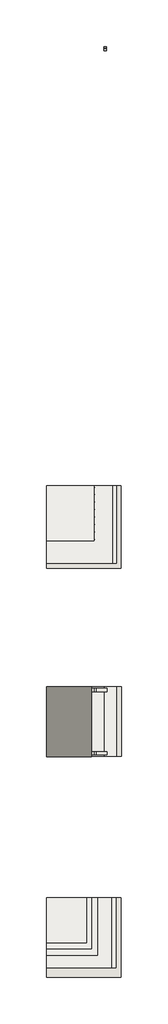
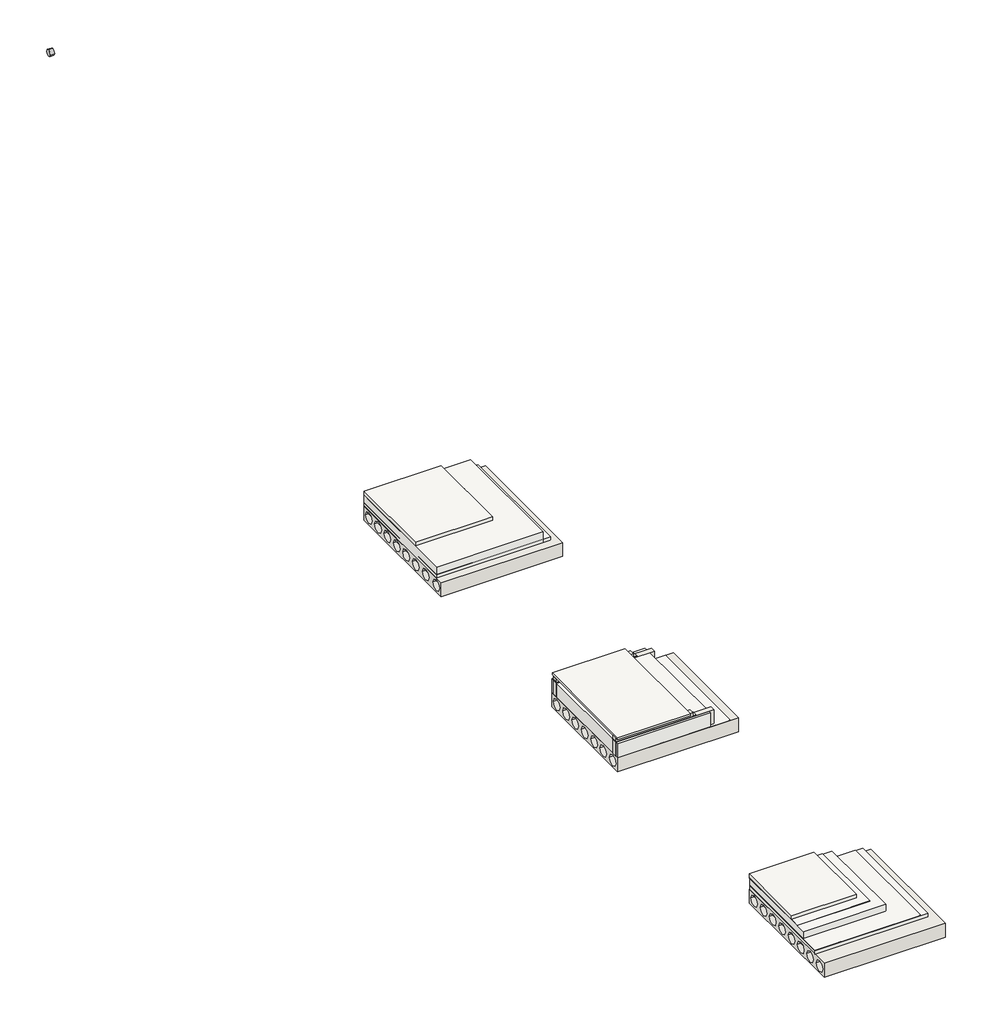
# One storey: 11 slabs, 9 pipe segments, 7 walls, 3 coverings.
"""IFC4 building model written with IfcOpenShell, lengths in millimetres."""

from ifc_helpers import new_model, si_unit, point, frame, frame_2d, origin, place, context, project, spatial, polyline, circle_curve, trimmed, segment, composite_curve, outline, extrude, element, save

model = new_model("IFC4")

# Units and contexts
model_context = context("Model", 3, world=origin())
ifc_project = project(units=[si_unit("LENGTHUNIT", "METRE", prefix="MILLI")], contexts=[model_context])

# Site, building, storey
site = spatial("IfcSite", under=ifc_project)
building = spatial("IfcBuilding", under=site)
storey = spatial("IfcBuildingStorey", under=building, Elevation=0.0)

# Coverings
placement = place(None, origin())
element("IfcCovering", 1, at=placement, inside=storey, context=model_context, shape_type="SweptSolid", body=[
    extrude(outline(polyline([(-18749.8233902, -321.5111803), (-18749.8233902, -3119.3898401), (-21549.8233902, -3119.3898401), (-21549.8233902, -321.5111803), (-18749.8233902, -321.5111803)])), frame((0.0, 0.0, 720.0), z_axis=(0.0, 0.0, 1.0), x_axis=(1.0, 0.0, 0.0)), (0.0, 0.0, 1.0), 9.0),
])
element("IfcCovering", 2, at=placement, inside=storey, context=model_context, shape_type="SweptSolid", body=[
    extrude(outline(polyline([(-19049.8233902, 7733.6973169), (-19049.8233902, 4935.818657), (-21549.8233902, 4935.818657), (-21549.8233902, 7733.6973169), (-19049.8233902, 7733.6973169)])), frame((0.0, 0.0, 720.0), z_axis=(0.0, 0.0, 1.0), x_axis=(1.0, 0.0, 0.0)), (0.0, 0.0, 1.0), 9.0),
])
element("IfcCovering", 3, at=placement, inside=storey, context=model_context, shape_type="SweptSolid", body=[
    extrude(outline(polyline([(-18932.0457912, -8791.5881911), (-18932.0457912, -11589.4668509), (-21549.8233902, -11589.4668509), (-21549.8233902, -8791.5881911), (-18932.0457912, -8791.5881911)])), frame((0.0, 0.0, 818.0135788), z_axis=(0.0, 0.0, 1.0), x_axis=(1.0, 0.0, 0.0)), (0.0, 0.0, 1.0), 9.0),
])

# Pipe segments
element("IfcPipeSegment", 4, at=placement, inside=storey, context=model_context, shape_type="SweptSolid", body=[
    extrude(outline(composite_curve([segment(trimmed(circle_curve(frame_2d((25274.8374953, 1120.9780714)), 84.1375), [point((25190.6999953, 1120.9780714))], [point((25274.8374953, 1205.1155714))], False, "CARTESIAN"), True, "CONTINUOUS"), segment(trimmed(circle_curve(frame_2d((25274.8374953, 1120.9780714)), 84.1375), [point((25274.8374953, 1205.1155714))], [point((25358.9749953, 1120.9780714))], False, "CARTESIAN"), True, "CONTINUOUS"), segment(trimmed(circle_curve(frame_2d((25274.8374953, 1120.9780714)), 84.1375), [point((25358.9749953, 1120.9780714))], [point((25274.8374953, 1036.8405714))], False, "CARTESIAN"), True, "CONTINUOUS"), segment(trimmed(circle_curve(frame_2d((25274.8374953, 1120.9780714)), 84.1375), [point((25274.8374953, 1036.8405714))], [point((25190.6999953, 1120.9780714))], False, "CARTESIAN"), True, "CONTINUOUS")], self_intersect=False)), frame((-19234.2023255, 0.0, 0.0), z_axis=(1.0, 0.0, 0.0), x_axis=(0.0, 1.0, 0.0)), (0.0, 0.0, 1.0), 100.0),
])
element("IfcPipeSegment", 5, at=placement, inside=storey, context=model_context, shape_type="SweptSolid", body=[
    extrude(outline(composite_curve([segment(trimmed(circle_curve(frame_2d((5587.1269433, 1064.7917813)), 13.335), [point((5600.4619433, 1064.7917813))], [point((5587.1269433, 1051.4567813))], False, "CARTESIAN"), True, "CONTINUOUS"), segment(trimmed(circle_curve(frame_2d((5587.1269433, 1064.7917813)), 13.335), [point((5587.1269433, 1051.4567813))], [point((5573.7919433, 1064.7917813))], False, "CARTESIAN"), True, "CONTINUOUS"), segment(trimmed(circle_curve(frame_2d((5587.1269433, 1064.7917813)), 13.335), [point((5573.7919433, 1064.7917813))], [point((5587.1269433, 1078.1267813))], False, "CARTESIAN"), True, "CONTINUOUS"), segment(trimmed(circle_curve(frame_2d((5587.1269433, 1064.7917813)), 13.335), [point((5587.1269433, 1078.1267813))], [point((5600.4619433, 1064.7917813))], False, "CARTESIAN"), True, "CONTINUOUS")], self_intersect=False)), frame((-19922.9070335, 0.0, 0.0), z_axis=(1.0, 0.0, 0.0), x_axis=(0.0, 1.0, 0.0)), (0.0, 0.0, 1.0), 300.0),
])
element("IfcPipeSegment", 6, at=placement, inside=storey, context=model_context, shape_type="SweptSolid", body=[
    extrude(outline(composite_curve([segment(trimmed(circle_curve(frame_2d((5887.1269433, 1064.7917813)), 13.335), [point((5900.4619433, 1064.7917813))], [point((5887.1269433, 1051.4567813))], False, "CARTESIAN"), True, "CONTINUOUS"), segment(trimmed(circle_curve(frame_2d((5887.1269433, 1064.7917813)), 13.335), [point((5887.1269433, 1051.4567813))], [point((5873.7919433, 1064.7917813))], False, "CARTESIAN"), True, "CONTINUOUS"), segment(trimmed(circle_curve(frame_2d((5887.1269433, 1064.7917813)), 13.335), [point((5873.7919433, 1064.7917813))], [point((5887.1269433, 1078.1267813))], False, "CARTESIAN"), True, "CONTINUOUS"), segment(trimmed(circle_curve(frame_2d((5887.1269433, 1064.7917813)), 13.335), [point((5887.1269433, 1078.1267813))], [point((5900.4619433, 1064.7917813))], False, "CARTESIAN"), True, "CONTINUOUS")], self_intersect=False)), frame((-19922.9070335, 0.0, 0.0), z_axis=(1.0, 0.0, 0.0), x_axis=(0.0, 1.0, 0.0)), (0.0, 0.0, 1.0), 300.0),
])
element("IfcPipeSegment", 7, at=placement, inside=storey, context=model_context, shape_type="SweptSolid", body=[
    extrude(outline(composite_curve([segment(trimmed(circle_curve(frame_2d((6187.1269433, 1064.7917813)), 13.335), [point((6200.4619433, 1064.7917813))], [point((6187.1269433, 1051.4567813))], False, "CARTESIAN"), True, "CONTINUOUS"), segment(trimmed(circle_curve(frame_2d((6187.1269433, 1064.7917813)), 13.335), [point((6187.1269433, 1051.4567813))], [point((6173.7919433, 1064.7917813))], False, "CARTESIAN"), True, "CONTINUOUS"), segment(trimmed(circle_curve(frame_2d((6187.1269433, 1064.7917813)), 13.335), [point((6173.7919433, 1064.7917813))], [point((6187.1269433, 1078.1267813))], False, "CARTESIAN"), True, "CONTINUOUS"), segment(trimmed(circle_curve(frame_2d((6187.1269433, 1064.7917813)), 13.335), [point((6187.1269433, 1078.1267813))], [point((6200.4619433, 1064.7917813))], False, "CARTESIAN"), True, "CONTINUOUS")], self_intersect=False)), frame((-19922.9070335, 0.0, 0.0), z_axis=(1.0, 0.0, 0.0), x_axis=(0.0, 1.0, 0.0)), (0.0, 0.0, 1.0), 300.0),
])
element("IfcPipeSegment", 8, at=placement, inside=storey, context=model_context, shape_type="SweptSolid", body=[
    extrude(outline(composite_curve([segment(trimmed(circle_curve(frame_2d((6487.1269433, 1064.7917813)), 13.335), [point((6500.4619433, 1064.7917813))], [point((6487.1269433, 1051.4567813))], False, "CARTESIAN"), True, "CONTINUOUS"), segment(trimmed(circle_curve(frame_2d((6487.1269433, 1064.7917813)), 13.335), [point((6487.1269433, 1051.4567813))], [point((6473.7919433, 1064.7917813))], False, "CARTESIAN"), True, "CONTINUOUS"), segment(trimmed(circle_curve(frame_2d((6487.1269433, 1064.7917813)), 13.335), [point((6473.7919433, 1064.7917813))], [point((6487.1269433, 1078.1267813))], False, "CARTESIAN"), True, "CONTINUOUS"), segment(trimmed(circle_curve(frame_2d((6487.1269433, 1064.7917813)), 13.335), [point((6487.1269433, 1078.1267813))], [point((6500.4619433, 1064.7917813))], False, "CARTESIAN"), True, "CONTINUOUS")], self_intersect=False)), frame((-19922.9070335, 0.0, 0.0), z_axis=(1.0, 0.0, 0.0), x_axis=(0.0, 1.0, 0.0)), (0.0, 0.0, 1.0), 300.0),
])
element("IfcPipeSegment", 9, at=placement, inside=storey, context=model_context, shape_type="SweptSolid", body=[
    extrude(outline(composite_curve([segment(trimmed(circle_curve(frame_2d((6787.1269433, 1064.7917813)), 13.335), [point((6800.4619433, 1064.7917813))], [point((6787.1269433, 1051.4567813))], False, "CARTESIAN"), True, "CONTINUOUS"), segment(trimmed(circle_curve(frame_2d((6787.1269433, 1064.7917813)), 13.335), [point((6787.1269433, 1051.4567813))], [point((6773.7919433, 1064.7917813))], False, "CARTESIAN"), True, "CONTINUOUS"), segment(trimmed(circle_curve(frame_2d((6787.1269433, 1064.7917813)), 13.335), [point((6773.7919433, 1064.7917813))], [point((6787.1269433, 1078.1267813))], False, "CARTESIAN"), True, "CONTINUOUS"), segment(trimmed(circle_curve(frame_2d((6787.1269433, 1064.7917813)), 13.335), [point((6787.1269433, 1078.1267813))], [point((6800.4619433, 1064.7917813))], False, "CARTESIAN"), True, "CONTINUOUS")], self_intersect=False)), frame((-19922.9070335, 0.0, 0.0), z_axis=(1.0, 0.0, 0.0), x_axis=(0.0, 1.0, 0.0)), (0.0, 0.0, 1.0), 300.0),
])
element("IfcPipeSegment", 10, at=placement, inside=storey, context=model_context, shape_type="SweptSolid", body=[
    extrude(outline(composite_curve([segment(trimmed(circle_curve(frame_2d((7087.1269433, 1064.7917813)), 13.335), [point((7100.4619433, 1064.7917813))], [point((7087.1269433, 1051.4567813))], False, "CARTESIAN"), True, "CONTINUOUS"), segment(trimmed(circle_curve(frame_2d((7087.1269433, 1064.7917813)), 13.335), [point((7087.1269433, 1051.4567813))], [point((7073.7919433, 1064.7917813))], False, "CARTESIAN"), True, "CONTINUOUS"), segment(trimmed(circle_curve(frame_2d((7087.1269433, 1064.7917813)), 13.335), [point((7073.7919433, 1064.7917813))], [point((7087.1269433, 1078.1267813))], False, "CARTESIAN"), True, "CONTINUOUS"), segment(trimmed(circle_curve(frame_2d((7087.1269433, 1064.7917813)), 13.335), [point((7087.1269433, 1078.1267813))], [point((7100.4619433, 1064.7917813))], False, "CARTESIAN"), True, "CONTINUOUS")], self_intersect=False)), frame((-19922.9070335, 0.0, 0.0), z_axis=(1.0, 0.0, 0.0), x_axis=(0.0, 1.0, 0.0)), (0.0, 0.0, 1.0), 300.0),
])
element("IfcPipeSegment", 11, at=placement, inside=storey, context=model_context, shape_type="SweptSolid", body=[
    extrude(outline(composite_curve([segment(trimmed(circle_curve(frame_2d((7387.1269433, 1064.7917813)), 13.335), [point((7400.4619433, 1064.7917813))], [point((7387.1269433, 1051.4567813))], False, "CARTESIAN"), True, "CONTINUOUS"), segment(trimmed(circle_curve(frame_2d((7387.1269433, 1064.7917813)), 13.335), [point((7387.1269433, 1051.4567813))], [point((7373.7919433, 1064.7917813))], False, "CARTESIAN"), True, "CONTINUOUS"), segment(trimmed(circle_curve(frame_2d((7387.1269433, 1064.7917813)), 13.335), [point((7373.7919433, 1064.7917813))], [point((7387.1269433, 1078.1267813))], False, "CARTESIAN"), True, "CONTINUOUS"), segment(trimmed(circle_curve(frame_2d((7387.1269433, 1064.7917813)), 13.335), [point((7387.1269433, 1078.1267813))], [point((7400.4619433, 1064.7917813))], False, "CARTESIAN"), True, "CONTINUOUS")], self_intersect=False)), frame((-19922.9070335, 0.0, 0.0), z_axis=(1.0, 0.0, 0.0), x_axis=(0.0, 1.0, 0.0)), (0.0, 0.0, 1.0), 300.0),
])
element("IfcPipeSegment", 12, at=placement, inside=storey, context=model_context, shape_type="SweptSolid", body=[
    extrude(outline(composite_curve([segment(trimmed(circle_curve(frame_2d((7667.1269433, 1064.7917813)), 13.335), [point((7680.4619433, 1064.7917813))], [point((7667.1269433, 1051.4567813))], False, "CARTESIAN"), True, "CONTINUOUS"), segment(trimmed(circle_curve(frame_2d((7667.1269433, 1064.7917813)), 13.335), [point((7667.1269433, 1051.4567813))], [point((7653.7919433, 1064.7917813))], False, "CARTESIAN"), True, "CONTINUOUS"), segment(trimmed(circle_curve(frame_2d((7667.1269433, 1064.7917813)), 13.335), [point((7653.7919433, 1064.7917813))], [point((7667.1269433, 1078.1267813))], False, "CARTESIAN"), True, "CONTINUOUS"), segment(trimmed(circle_curve(frame_2d((7667.1269433, 1064.7917813)), 13.335), [point((7667.1269433, 1078.1267813))], [point((7680.4619433, 1064.7917813))], False, "CARTESIAN"), True, "CONTINUOUS")], self_intersect=False)), frame((-19922.9070335, 0.0, 0.0), z_axis=(1.0, 0.0, 0.0), x_axis=(0.0, 1.0, 0.0)), (0.0, 0.0, 1.0), 300.0),
])

# Slabs
element("IfcSlab", 13, at=placement, inside=storey, context=model_context, shape_type="SweptSolid", body=[
    extrude(outline(polyline([(-19249.8233902, -319.308988), (-19249.8233902, -3119.308988), (-21549.8233902, -3119.308988), (-21549.8233902, -319.308988), (-19249.8233902, -319.308988)])), frame((0.0, 0.0, 726.5502862), z_axis=(0.0, 0.0, 1.0), x_axis=(1.0, 0.0, 0.0)), (0.0, 0.0, 1.0), 362.0),
])
element("IfcSlab", 14, at=placement, inside=storey, context=model_context, shape_type="SweptSolid", body=[
    extrude(outline(polyline([(-19569.8233902, -2923.5004536), (-19569.8233902, -3053.5004536), (-21557.324506, -3053.5004536), (-21557.324506, -2923.5004536), (-19569.8233902, -2923.5004536)])), frame((0.0, 0.0, 1106.0), z_axis=(0.0, 0.0, 1.0), x_axis=(1.0, 0.0, 0.0)), (0.0, 0.0, 1.0), 9.0),
])
element("IfcSlab", 15, at=placement, inside=storey, context=model_context, shape_type="SweptSolid", body=[
    extrude(outline(polyline([(-19569.8233902, -388.0815538), (-19569.8233902, -518.0815538), (-21557.324506, -518.0815538), (-21557.324506, -388.0815538), (-19569.8233902, -388.0815538)])), frame((0.0, 0.0, 1106.0), z_axis=(0.0, 0.0, 1.0), x_axis=(1.0, 0.0, 0.0)), (0.0, 0.0, 1.0), 9.0),
])
element("IfcSlab", 16, at=placement, inside=storey, context=model_context, shape_type="SweptSolid", body=[
    extrude(outline(polyline([(-19749.8233902, -329.3638158), (-19749.8233902, -3129.3638158), (-21549.8233902, -3129.3638158), (-21549.8233902, -329.3638158), (-19749.8233902, -329.3638158)])), frame((0.0, 0.0, 1195.0), z_axis=(0.0, 0.0, 1.0), x_axis=(1.0, 0.0, 0.0)), (0.0, 0.0, 1.0), 60.0),
])
element("IfcSlab", 17, at=placement, inside=storey, context=model_context, shape_type="SweptSolid", body=[
    extrude(outline(polyline([(-18911.3192778, 7742.2022191), (-18911.3192778, 4635.6585659), (-21549.8233902, 4635.6585659), (-21549.8233902, 7742.2022191), (-18911.3192778, 7742.2022191)])), frame((0.0, 0.0, 640.1886215), z_axis=(0.0, 0.0, 1.0), x_axis=(1.0, 0.0, 0.0)), (0.0, 0.0, 1.0), 362.0),
])
element("IfcSlab", 18, at=placement, inside=storey, context=model_context, shape_type="SweptSolid", body=[
    extrude(outline(polyline([(-19749.8233902, -8785.3132372), (-19749.8233902, -10825.3132372), (-21549.8233902, -10825.3132372), (-21549.8233902, -8785.3132372), (-19749.8233902, -8785.3132372)])), frame((0.0, 0.0, 1011.5507728), z_axis=(0.0, 0.0, 1.0), x_axis=(1.0, 0.0, 0.0)), (0.0, 0.0, 1.0), 9.0),
])
element("IfcSlab", 19, at=placement, inside=storey, context=model_context, shape_type="SweptSolid", body=[
    extrude(outline(polyline([(-18752.0457912, -8789.0194004), (-18752.0457912, -11589.0194004), (-21549.8233902, -11589.0194004), (-21549.8233902, -8789.0194004), (-18752.0457912, -8789.0194004)])), frame((0.0, 0.0, 726.3338711), z_axis=(0.0, 0.0, 1.0), x_axis=(1.0, 0.0, 0.0)), (0.0, 0.0, 1.0), 91.0),
])
element("IfcSlab", 20, at=placement, inside=storey, context=model_context, shape_type="SweptSolid", body=[
    extrude(outline(polyline([(-19509.8233902, -8788.4373813), (-19509.8233902, -11088.4373813), (-21549.8233902, -11088.4373813), (-21549.8233902, -8788.4373813), (-19509.8233902, -8788.4373813)])), frame((0.0, 0.0, 645.1513769), z_axis=(0.0, 0.0, 1.0), x_axis=(1.0, 0.0, 0.0)), (0.0, 0.0, 1.0), 362.0),
])
element("IfcSlab", 21, at=placement, inside=storey, context=model_context, shape_type="SweptSolid", body=[
    extrude(outline(polyline([(-19952.0457912, -8780.4620901), (-19952.0457912, -10586.0795584), (-21552.0457912, -10586.0795584), (-21552.0457912, -8780.4620901), (-19952.0457912, -8780.4620901)])), frame((0.0, 0.0, 1029.6269336), z_axis=(0.0, 0.0, 1.0), x_axis=(1.0, 0.0, 0.0)), (0.0, 0.0, 1.0), 91.0),
])
element("IfcSlab", 22, at=placement, inside=storey, context=model_context, shape_type="SweptSolid", body=[
    extrude(outline(polyline([(-18731.3192778, 7735.6585659), (-18731.3192778, 4635.6585659), (-21549.8233902, 4635.6585659), (-21549.8233902, 7735.6585659), (-18731.3192778, 7735.6585659)])), frame((0.0, 0.0, 720.0), z_axis=(0.0, 0.0, 1.0), x_axis=(1.0, 0.0, 0.0)), (0.0, 0.0, 1.0), 91.0),
])
element("IfcSlab", 23, at=placement, inside=storey, context=model_context, shape_type="SweptSolid", body=[
    extrude(outline(polyline([(-19649.8233902, 7733.9736345), (-19649.8233902, 5533.9736345), (-21549.8233902, 5533.9736345), (-21549.8233902, 7733.9736345), (-19649.8233902, 7733.9736345)])), frame((0.0, 0.0, 1018.0958924), z_axis=(0.0, 0.0, 1.0), x_axis=(1.0, 0.0, 0.0)), (0.0, 0.0, 1.0), 91.0),
])

# Walls
element("IfcWall", 24, at=placement, inside=storey, context=model_context, shape_type="SweptSolid", body=[
    extrude(outline(polyline([(-3118.1823752, 354.7380659), (-3118.1823752, 720.0), (-318.1823752, 720.0), (-318.1823752, 354.7380659), (-3118.1823752, 354.7380659)]), holes=[composite_curve([segment(trimmed(circle_curve(frame_2d((-2918.8581339, 533.0522452)), 140.0), [point((-2778.8581339, 533.0522452))], [point((-3058.8581339, 533.0522452))], True, "CARTESIAN"), True, "CONTINUOUS"), segment(trimmed(circle_curve(frame_2d((-2918.8581339, 533.0522452)), 140.0), [point((-3058.8581339, 533.0522452))], [point((-2778.8581339, 533.0522452))], True, "CARTESIAN"), True, "CONTINUOUS")], self_intersect=False), composite_curve([segment(trimmed(circle_curve(frame_2d((-2518.8581339, 533.0522452)), 140.0), [point((-2378.8581339, 533.0522452))], [point((-2658.8581339, 533.0522452))], True, "CARTESIAN"), True, "CONTINUOUS"), segment(trimmed(circle_curve(frame_2d((-2518.8581339, 533.0522452)), 140.0), [point((-2658.8581339, 533.0522452))], [point((-2378.8581339, 533.0522452))], True, "CARTESIAN"), True, "CONTINUOUS")], self_intersect=False), composite_curve([segment(trimmed(circle_curve(frame_2d((-2118.8581339, 533.0522452)), 140.0), [point((-1978.8581339, 533.0522452))], [point((-2258.8581339, 533.0522452))], True, "CARTESIAN"), True, "CONTINUOUS"), segment(trimmed(circle_curve(frame_2d((-2118.8581339, 533.0522452)), 140.0), [point((-2258.8581339, 533.0522452))], [point((-1978.8581339, 533.0522452))], True, "CARTESIAN"), True, "CONTINUOUS")], self_intersect=False), composite_curve([segment(trimmed(circle_curve(frame_2d((-1718.8581339, 533.0522452)), 140.0), [point((-1578.8581339, 533.0522452))], [point((-1858.8581339, 533.0522452))], True, "CARTESIAN"), True, "CONTINUOUS"), segment(trimmed(circle_curve(frame_2d((-1718.8581339, 533.0522452)), 140.0), [point((-1858.8581339, 533.0522452))], [point((-1578.8581339, 533.0522452))], True, "CARTESIAN"), True, "CONTINUOUS")], self_intersect=False), composite_curve([segment(trimmed(circle_curve(frame_2d((-1318.8581339, 533.0522452)), 140.0), [point((-1178.8581339, 533.0522452))], [point((-1458.8581339, 533.0522452))], True, "CARTESIAN"), True, "CONTINUOUS"), segment(trimmed(circle_curve(frame_2d((-1318.8581339, 533.0522452)), 140.0), [point((-1458.8581339, 533.0522452))], [point((-1178.8581339, 533.0522452))], True, "CARTESIAN"), True, "CONTINUOUS")], self_intersect=False), composite_curve([segment(trimmed(circle_curve(frame_2d((-918.8581339, 533.0522452)), 140.0), [point((-778.8581339, 533.0522452))], [point((-1058.8581339, 533.0522452))], True, "CARTESIAN"), True, "CONTINUOUS"), segment(trimmed(circle_curve(frame_2d((-918.8581339, 533.0522452)), 140.0), [point((-1058.8581339, 533.0522452))], [point((-778.8581339, 533.0522452))], True, "CARTESIAN"), True, "CONTINUOUS")], self_intersect=False), composite_curve([segment(trimmed(circle_curve(frame_2d((-518.8581339, 533.0522452)), 140.0), [point((-378.8581339, 533.0522452))], [point((-658.8581339, 533.0522452))], True, "CARTESIAN"), True, "CONTINUOUS"), segment(trimmed(circle_curve(frame_2d((-518.8581339, 533.0522452)), 140.0), [point((-658.8581339, 533.0522452))], [point((-378.8581339, 533.0522452))], True, "CARTESIAN"), True, "CONTINUOUS")], self_intersect=False)]), frame((-21549.8233902, 0.0, 0.0), z_axis=(1.0, 0.0, 0.0), x_axis=(0.0, 1.0, 0.0)), (0.0, 0.0, 1.0), 3000.0),
])
element("IfcWall", 25, at=placement, inside=storey, context=model_context, shape_type="SweptSolid", body=[
    extrude(outline(polyline([(-21549.8233902, -2928.0815538), (-19129.8233902, -2928.0815538), (-19129.8233902, -3058.0815538), (-21549.8233902, -3058.0815538), (-21549.8233902, -2928.0815538)])), frame((0.0, 0.0, 726.5502862), z_axis=(0.0, 0.0, 1.0), x_axis=(1.0, 0.0, 0.0)), (0.0, 0.0, 1.0), 362.0),
])
element("IfcWall", 26, at=placement, inside=storey, context=model_context, shape_type="SweptSolid", body=[
    extrude(outline(polyline([(-21549.8233902, -388.0815538), (-19129.8233902, -388.0815538), (-19129.8233902, -518.0815538), (-21549.8233902, -518.0815538), (-21549.8233902, -388.0815538)])), frame((0.0, 0.0, 726.5502862), z_axis=(0.0, 0.0, 1.0), x_axis=(1.0, 0.0, 0.0)), (0.0, 0.0, 1.0), 362.0),
])
element("IfcWall", 27, at=placement, inside=storey, context=model_context, shape_type="SweptSolid", body=[
    extrude(outline(polyline([(-21549.8233902, -2928.0815538), (-19649.8233902, -2928.0815538), (-19649.8233902, -3058.0815538), (-21549.8233902, -3058.0815538), (-21549.8233902, -2928.0815538)])), frame((0.0, 0.0, 1100.0), z_axis=(0.0, 0.0, 1.0), x_axis=(1.0, 0.0, 0.0)), (0.0, 0.0, 1.0), 95.0),
])
element("IfcWall", 28, at=placement, inside=storey, context=model_context, shape_type="SweptSolid", body=[
    extrude(outline(polyline([(-21549.8233902, -388.0815538), (-19649.8233902, -388.0815538), (-19649.8233902, -518.0815538), (-21549.8233902, -518.0815538), (-21549.8233902, -388.0815538)])), frame((0.0, 0.0, 1100.0), z_axis=(0.0, 0.0, 1.0), x_axis=(1.0, 0.0, 0.0)), (0.0, 0.0, 1.0), 95.0),
])
element("IfcWall", 29, at=placement, inside=storey, context=model_context, shape_type="SweptSolid", body=[
    extrude(outline(polyline([(4435.4384543, 354.7380659), (4435.4384543, 720.0), (7735.4384543, 720.0), (7735.4384543, 354.7380659), (4435.4384543, 354.7380659)]), holes=[composite_curve([segment(trimmed(circle_curve(frame_2d((4634.7626956, 533.0522452)), 140.0), [point((4774.7626956, 533.0522452))], [point((4494.7626956, 533.0522452))], True, "CARTESIAN"), True, "CONTINUOUS"), segment(trimmed(circle_curve(frame_2d((4634.7626956, 533.0522452)), 140.0), [point((4494.7626956, 533.0522452))], [point((4774.7626956, 533.0522452))], True, "CARTESIAN"), True, "CONTINUOUS")], self_intersect=False), composite_curve([segment(trimmed(circle_curve(frame_2d((5521.43344, 531.1480658)), 140.0), [point((5661.43344, 531.1480658))], [point((5381.43344, 531.1480658))], True, "CARTESIAN"), True, "CONTINUOUS"), segment(trimmed(circle_curve(frame_2d((5521.43344, 531.1480658)), 140.0), [point((5381.43344, 531.1480658))], [point((5661.43344, 531.1480658))], True, "CARTESIAN"), True, "CONTINUOUS")], self_intersect=False), composite_curve([segment(trimmed(circle_curve(frame_2d((5934.7626956, 533.0522452)), 140.0), [point((6074.7626956, 533.0522452))], [point((5794.7626956, 533.0522452))], True, "CARTESIAN"), True, "CONTINUOUS"), segment(trimmed(circle_curve(frame_2d((5934.7626956, 533.0522452)), 140.0), [point((5794.7626956, 533.0522452))], [point((6074.7626956, 533.0522452))], True, "CARTESIAN"), True, "CONTINUOUS")], self_intersect=False), composite_curve([segment(trimmed(circle_curve(frame_2d((6334.7626956, 533.0522452)), 140.0), [point((6474.7626956, 533.0522452))], [point((6194.7626956, 533.0522452))], True, "CARTESIAN"), True, "CONTINUOUS"), segment(trimmed(circle_curve(frame_2d((6334.7626956, 533.0522452)), 140.0), [point((6194.7626956, 533.0522452))], [point((6474.7626956, 533.0522452))], True, "CARTESIAN"), True, "CONTINUOUS")], self_intersect=False), composite_curve([segment(trimmed(circle_curve(frame_2d((6734.7626956, 533.0522452)), 140.0), [point((6874.7626956, 533.0522452))], [point((6594.7626956, 533.0522452))], True, "CARTESIAN"), True, "CONTINUOUS"), segment(trimmed(circle_curve(frame_2d((6734.7626956, 533.0522452)), 140.0), [point((6594.7626956, 533.0522452))], [point((6874.7626956, 533.0522452))], True, "CARTESIAN"), True, "CONTINUOUS")], self_intersect=False), composite_curve([segment(trimmed(circle_curve(frame_2d((7134.7626956, 533.0522452)), 140.0), [point((7274.7626956, 533.0522452))], [point((6994.7626956, 533.0522452))], True, "CARTESIAN"), True, "CONTINUOUS"), segment(trimmed(circle_curve(frame_2d((7134.7626956, 533.0522452)), 140.0), [point((6994.7626956, 533.0522452))], [point((7274.7626956, 533.0522452))], True, "CARTESIAN"), True, "CONTINUOUS")], self_intersect=False), composite_curve([segment(trimmed(circle_curve(frame_2d((7534.7626956, 533.0522452)), 140.0), [point((7674.7626956, 533.0522452))], [point((7394.7626956, 533.0522452))], True, "CARTESIAN"), True, "CONTINUOUS"), segment(trimmed(circle_curve(frame_2d((7534.7626956, 533.0522452)), 140.0), [point((7394.7626956, 533.0522452))], [point((7674.7626956, 533.0522452))], True, "CARTESIAN"), True, "CONTINUOUS")], self_intersect=False), composite_curve([segment(trimmed(circle_curve(frame_2d((5089.5149213, 535.948264)), 140.0), [point((5229.5149213, 535.948264))], [point((4949.5149213, 535.948264))], True, "CARTESIAN"), True, "CONTINUOUS"), segment(trimmed(circle_curve(frame_2d((5089.5149213, 535.948264)), 140.0), [point((4949.5149213, 535.948264))], [point((5229.5149213, 535.948264))], True, "CARTESIAN"), True, "CONTINUOUS")], self_intersect=False)]), frame((-21551.3192778, 0.0, 0.0), z_axis=(1.0, 0.0, 0.0), x_axis=(0.0, 1.0, 0.0)), (0.0, 0.0, 1.0), 3000.0),
])
element("IfcWall", 30, at=placement, inside=storey, context=model_context, shape_type="SweptSolid", body=[
    extrude(outline(polyline([(-11986.0795584, 354.7380659), (-11986.0795584, 720.0), (-8786.0795584, 720.0), (-8786.0795584, 354.7380659), (-11986.0795584, 354.7380659)]), holes=[composite_curve([segment(trimmed(circle_curve(frame_2d((-11786.7553171, 533.0522452)), 140.0), [point((-11646.7553171, 533.0522452))], [point((-11926.7553171, 533.0522452))], True, "CARTESIAN"), True, "CONTINUOUS"), segment(trimmed(circle_curve(frame_2d((-11786.7553171, 533.0522452)), 140.0), [point((-11926.7553171, 533.0522452))], [point((-11646.7553171, 533.0522452))], True, "CARTESIAN"), True, "CONTINUOUS")], self_intersect=False), composite_curve([segment(trimmed(circle_curve(frame_2d((-10986.7553171, 533.0522452)), 140.0), [point((-10846.7553171, 533.0522452))], [point((-11126.7553171, 533.0522452))], True, "CARTESIAN"), True, "CONTINUOUS"), segment(trimmed(circle_curve(frame_2d((-10986.7553171, 533.0522452)), 140.0), [point((-11126.7553171, 533.0522452))], [point((-10846.7553171, 533.0522452))], True, "CARTESIAN"), True, "CONTINUOUS")], self_intersect=False), composite_curve([segment(trimmed(circle_curve(frame_2d((-10586.7553171, 533.0522452)), 140.0), [point((-10446.7553171, 533.0522452))], [point((-10726.7553171, 533.0522452))], True, "CARTESIAN"), True, "CONTINUOUS"), segment(trimmed(circle_curve(frame_2d((-10586.7553171, 533.0522452)), 140.0), [point((-10726.7553171, 533.0522452))], [point((-10446.7553171, 533.0522452))], True, "CARTESIAN"), True, "CONTINUOUS")], self_intersect=False), composite_curve([segment(trimmed(circle_curve(frame_2d((-10186.7553171, 533.0522452)), 140.0), [point((-10046.7553171, 533.0522452))], [point((-10326.7553171, 533.0522452))], True, "CARTESIAN"), True, "CONTINUOUS"), segment(trimmed(circle_curve(frame_2d((-10186.7553171, 533.0522452)), 140.0), [point((-10326.7553171, 533.0522452))], [point((-10046.7553171, 533.0522452))], True, "CARTESIAN"), True, "CONTINUOUS")], self_intersect=False), composite_curve([segment(trimmed(circle_curve(frame_2d((-9786.7553171, 533.0522452)), 140.0), [point((-9646.7553171, 533.0522452))], [point((-9926.7553171, 533.0522452))], True, "CARTESIAN"), True, "CONTINUOUS"), segment(trimmed(circle_curve(frame_2d((-9786.7553171, 533.0522452)), 140.0), [point((-9926.7553171, 533.0522452))], [point((-9646.7553171, 533.0522452))], True, "CARTESIAN"), True, "CONTINUOUS")], self_intersect=False), composite_curve([segment(trimmed(circle_curve(frame_2d((-9386.7553171, 533.0522452)), 140.0), [point((-9246.7553171, 533.0522452))], [point((-9526.7553171, 533.0522452))], True, "CARTESIAN"), True, "CONTINUOUS"), segment(trimmed(circle_curve(frame_2d((-9386.7553171, 533.0522452)), 140.0), [point((-9526.7553171, 533.0522452))], [point((-9246.7553171, 533.0522452))], True, "CARTESIAN"), True, "CONTINUOUS")], self_intersect=False), composite_curve([segment(trimmed(circle_curve(frame_2d((-8986.7553171, 533.0522452)), 140.0), [point((-8846.7553171, 533.0522452))], [point((-9126.7553171, 533.0522452))], True, "CARTESIAN"), True, "CONTINUOUS"), segment(trimmed(circle_curve(frame_2d((-8986.7553171, 533.0522452)), 140.0), [point((-9126.7553171, 533.0522452))], [point((-8846.7553171, 533.0522452))], True, "CARTESIAN"), True, "CONTINUOUS")], self_intersect=False), composite_curve([segment(trimmed(circle_curve(frame_2d((-11386.7553171, 533.0522452)), 140.0), [point((-11246.7553171, 533.0522452))], [point((-11526.7553171, 533.0522452))], True, "CARTESIAN"), True, "CONTINUOUS"), segment(trimmed(circle_curve(frame_2d((-11386.7553171, 533.0522452)), 140.0), [point((-11526.7553171, 533.0522452))], [point((-11246.7553171, 533.0522452))], True, "CARTESIAN"), True, "CONTINUOUS")], self_intersect=False)]), frame((-21552.0457912, 0.0, 0.0), z_axis=(1.0, 0.0, 0.0), x_axis=(0.0, 1.0, 0.0)), (0.0, 0.0, 1.0), 3000.0),
])

save(model, "model.ifc")
